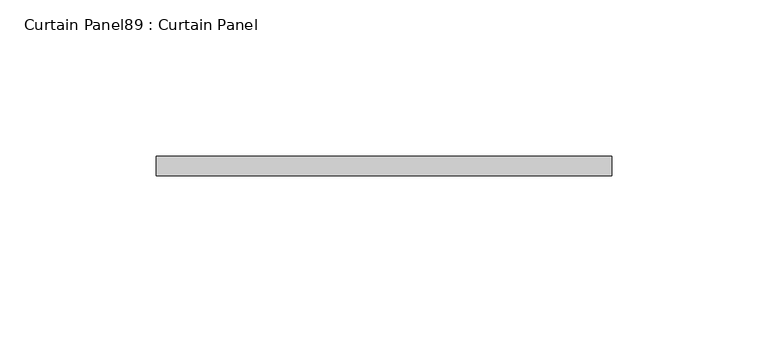
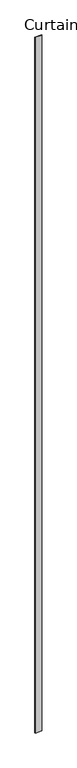
"""IFC4 building model written with IfcOpenShell, lengths in millimetres: plate geometry, Curtain Panel89 : Curtain Panel."""

from ifc_helpers import new_model, si_unit, frame, origin, place, context, project, spatial, polyline, outline, extrude, source, transform, mapped, element, save


def curtain_panel89_curtain_panel_b5a822fd(model_context):
    return source(origin(), model_context, "Body", "SweptSolid", [
        extrude(outline(polyline([(175254.4450674, 7961.9084949), (175108.3950674, 7961.9084949), (175108.3950674, 7968.2584949), (175254.4450674, 7968.2584949), (175254.4450674, 7961.9084949)])), frame((0.0, 0.0, 1433.7679301), z_axis=(0.0, 0.0, 1.0), x_axis=(1.0, 0.0, 0.0)), (0.0, 0.0, 1.0), 15837.0064664),
    ])


if __name__ == "__main__":
    model = new_model("IFC4")
    model_context = context("Model", 3, world=origin())
    ifc_project = project(units=[si_unit("LENGTHUNIT", "METRE", prefix="MILLI")], contexts=[model_context])
    site = spatial("IfcSite", under=ifc_project)
    building = spatial("IfcBuilding", under=site)
    placement = place(None, origin())
    curtain_panel89_curtain_panel_shape = curtain_panel89_curtain_panel_b5a822fd(model_context)
    element("IfcPlate", 1, ObjectType="Curtain Panel89 : Curtain Panel", at=placement, inside=building, context=model_context, shape_type="MappedRepresentation", body=[
        mapped(curtain_panel89_curtain_panel_shape, transform((0.0, 0.0, 0.0), x_axis=(1.0, 0.0, 0.0), y_axis=(0.0, 1.0, 0.0), z_axis=(0.0, 0.0, 1.0))),
    ])
    save(model, "model.ifc")
